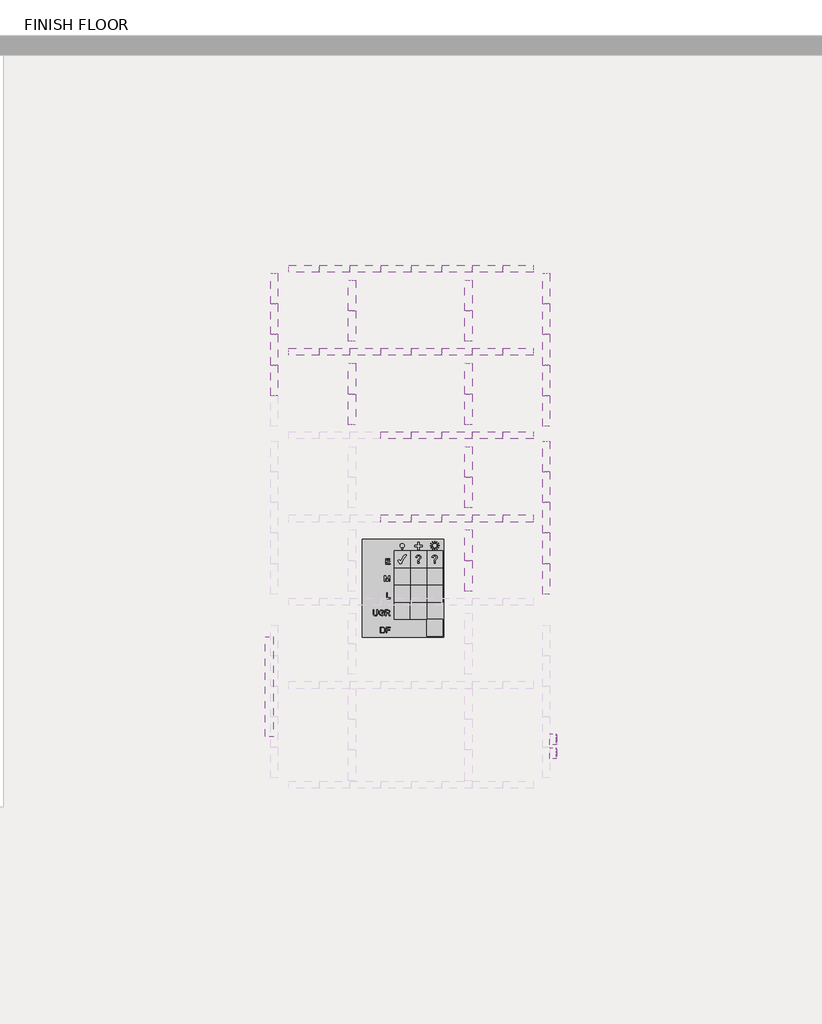
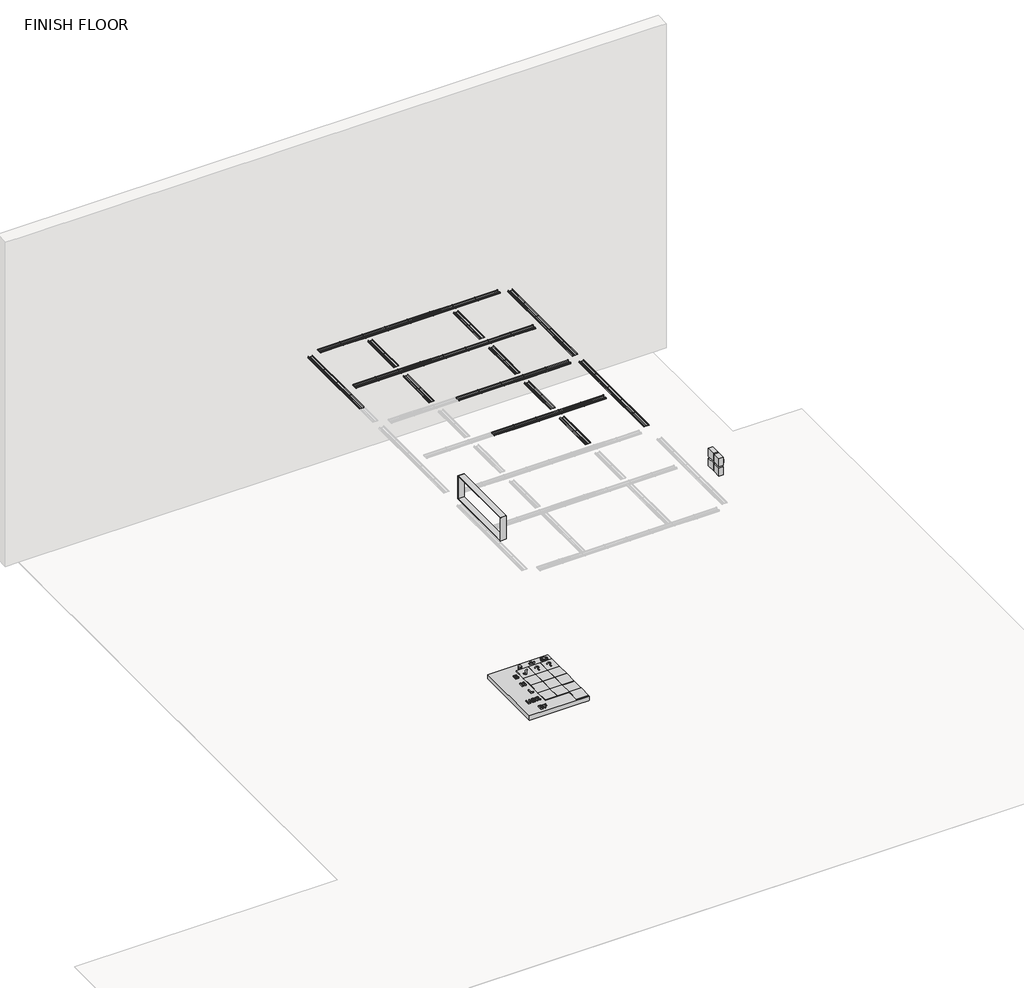
# One storey, part 2 of 2: 52 light fixtures, 18 proxies.
"""IFC4 building model written with IfcOpenShell, lengths in millimetres."""

import ifcopenshell
import ifcopenshell.guid

model = None  # the IFC model being written
_history = None  # IfcOwnerHistory: only IFC2X3 demands one
_inside = {}  # id of a spatial element -> (the spatial element, [elements in it])
_under = {}  # id of a project, library or spatial element -> (it, [spatial elements below it])
_declared = {}  # id of a project -> (the project, [libraries it declares])
_typed = {}  # id of a type object -> (the type object, [elements of that type])
_made_of = {}  # id of a material, layer set ... -> (it, [elements and type objects made of it])


def new_model(schema):
    """Start an empty IFC model of exactly this schema.

    Asked for "IFC4X3", IfcOpenShell would pick the latest addendum, in which some entities
    have other attributes; the version numbers below select the first issue.
    IFC2X3 requires an IfcOwnerHistory on every rooted entity: one is made here for all.
    """
    global model, _history
    if schema == "IFC4X3":
        model = ifcopenshell.file(schema_version=(4, 3, 0, 0))
    else:
        model = ifcopenshell.file(schema=schema)
    _inside.clear()
    _under.clear()
    _declared.clear()
    _typed.clear()
    _made_of.clear()
    _history = None
    if model.schema == "IFC2X3":
        org = make("IfcOrganization", Name="unknown")
        user = make(
            "IfcPersonAndOrganization",
            ThePerson=make("IfcPerson", FamilyName="unknown"),
            TheOrganization=org,
        )
        app = make(
            "IfcApplication",
            ApplicationDeveloper=org,
            Version="unknown",
            ApplicationFullName="unknown",
            ApplicationIdentifier="unknown",
        )
        _history = make(
            "IfcOwnerHistory",
            OwningUser=user,
            OwningApplication=app,
            ChangeAction="ADDED",
            CreationDate=0,
        )
    return model


def make(cls, **values):
    """One entity of the class cls with the attributes given. An attribute that is None is left unset."""
    return model.create_entity(
        cls, **{name: value for name, value in values.items() if value is not None}
    )


def rooted(cls, **values):
    """An entity with a GlobalId (a new one), such as an element, a storey or a relation."""
    return make(cls, GlobalId=ifcopenshell.guid.new(), OwnerHistory=_history, **values)


def si_unit(unit_type, name, prefix=None):
    """IfcSIUnit, for example si_unit("LENGTHUNIT", "METRE", prefix="MILLI")."""
    return make("IfcSIUnit", UnitType=unit_type, Prefix=prefix, Name=name)


def assignment(units):
    """IfcUnitAssignment: the units of a project."""
    return None if units is None else make("IfcUnitAssignment", Units=units)


def point(xyz):
    """IfcCartesianPoint."""
    return None if xyz is None else make("IfcCartesianPoint", Coordinates=xyz)


def direction(xyz):
    """IfcDirection."""
    return None if xyz is None else make("IfcDirection", DirectionRatios=xyz)


def frame(location, z_axis=None, x_axis=None):
    """IfcAxis2Placement3D, a coordinate frame: its origin and axes. An axis left out is left unset."""
    return make(
        "IfcAxis2Placement3D",
        Location=point(location),
        Axis=direction(z_axis),
        RefDirection=direction(x_axis),
    )


def frame_2d(location, x_axis=None):
    """IfcAxis2Placement2D, a coordinate frame in the plane: its origin and x axis."""
    return make(
        "IfcAxis2Placement2D", Location=point(location), RefDirection=direction(x_axis)
    )


def origin():
    """The frame at (0, 0, 0) with its axes left unset."""
    return frame((0.0, 0.0, 0.0))


def origin_with_axes():
    """The frame at (0, 0, 0) with the z axis (0, 0, 1) and the x axis (1, 0, 0) written out."""
    return frame((0.0, 0.0, 0.0), z_axis=(0.0, 0.0, 1.0), x_axis=(1.0, 0.0, 0.0))


def place(relative_to, where):
    """IfcLocalPlacement: puts the frame where relative to a parent placement (None: the world)."""
    return make(
        "IfcLocalPlacement", PlacementRelTo=relative_to, RelativePlacement=where
    )


def context(
    kind, dimensions, precision=None, world=None, true_north=None, identifier=None
):
    """IfcGeometricRepresentationContext, for example the 3D "Model" context."""
    return make(
        "IfcGeometricRepresentationContext",
        ContextIdentifier=identifier,
        ContextType=kind,
        CoordinateSpaceDimension=dimensions,
        Precision=precision,
        WorldCoordinateSystem=world,
        TrueNorth=true_north,
    )


def project(units=None, contexts=None):
    """IfcProject with its units and contexts."""
    return rooted(
        "IfcProject",
        Name="project",
        RepresentationContexts=contexts,
        UnitsInContext=assignment(units),
    )


def spatial(cls, under=None, at=None, **own):
    """A site, building, storey or space (cls), placed at a placement, below another one or the project."""
    s = rooted(cls, ObjectPlacement=at, **own)
    if under is not None:
        _under.setdefault(under.id(), (under, []))[1].append(s)
    return s


def polyline(points):
    """IfcPolyline through the points."""
    return make("IfcPolyline", Points=[point(p) for p in points])


def circle_curve(where, radius):
    """IfcCircle in the frame where."""
    return make("IfcCircle", Position=where, Radius=radius)


def trimmed(basis, trim1, trim2, sense, master):
    """IfcTrimmedCurve: the piece of a basis curve between two trims."""
    return make(
        "IfcTrimmedCurve",
        BasisCurve=basis,
        Trim1=trim1,
        Trim2=trim2,
        SenseAgreement=sense,
        MasterRepresentation=master,
    )


def segment(curve, same_sense, transition):
    """IfcCompositeCurveSegment."""
    return make(
        "IfcCompositeCurveSegment",
        Transition=transition,
        SameSense=same_sense,
        ParentCurve=curve,
    )


def composite_curve(segments, self_intersect=None):
    """IfcCompositeCurve: segments joined end to end."""
    return make("IfcCompositeCurve", Segments=segments, SelfIntersect=self_intersect)


def outline(outer, holes=None, kind="AREA"):
    """IfcArbitraryClosedProfileDef: a profile drawn as a closed curve; with holes, ...WithVoids."""
    if holes is None:
        return make("IfcArbitraryClosedProfileDef", ProfileType=kind, OuterCurve=outer)
    return make(
        "IfcArbitraryProfileDefWithVoids",
        ProfileType=kind,
        OuterCurve=outer,
        InnerCurves=holes,
    )


def extrude(swept, where, along, depth):
    """IfcExtrudedAreaSolid: the profile swept, set in the frame where, extruded along a direction by depth."""
    return make(
        "IfcExtrudedAreaSolid",
        SweptArea=swept,
        Position=where,
        ExtrudedDirection=direction(along),
        Depth=depth,
    )


def shape(context_of_items, identifier, shape_type, items):
    """IfcShapeRepresentation: the items that make up one representation, for example the "Body"."""
    return make(
        "IfcShapeRepresentation",
        ContextOfItems=context_of_items,
        RepresentationIdentifier=identifier,
        RepresentationType=shape_type,
        Items=items,
    )


def source(mapping_origin, context_of_items, identifier, shape_type, items):
    """IfcRepresentationMap: a shape defined once, which mapped items show again and again."""
    return make(
        "IfcRepresentationMap",
        MappingOrigin=mapping_origin,
        MappedRepresentation=shape(context_of_items, identifier, shape_type, items),
    )


def transform(
    local_origin,
    x_axis=None,
    y_axis=None,
    z_axis=None,
    scale=None,
    scale2=None,
    scale3=None,
    uniform=True,
):
    """IfcCartesianTransformationOperator3D, or its non-uniform kind. x_axis, y_axis, z_axis: its Axis1, 2, 3."""
    if uniform:
        return make(
            "IfcCartesianTransformationOperator3D",
            Axis1=direction(x_axis),
            Axis2=direction(y_axis),
            LocalOrigin=point(local_origin),
            Scale=scale,
            Axis3=direction(z_axis),
        )
    return make(
        "IfcCartesianTransformationOperator3DnonUniform",
        Axis1=direction(x_axis),
        Axis2=direction(y_axis),
        LocalOrigin=point(local_origin),
        Scale=scale,
        Axis3=direction(z_axis),
        Scale2=scale2,
        Scale3=scale3,
    )


def mapped(mapping_source, mapping_target):
    """IfcMappedItem: shows the shape of a source again, moved by a transform."""
    return make(
        "IfcMappedItem", MappingSource=mapping_source, MappingTarget=mapping_target
    )


def made_of(thing, what):
    """Note that an element or type object is made of a material, layer set ...; save() writes the relation."""
    if what is not None:
        _made_of.setdefault(what.id(), (what, []))[1].append(thing)
    return thing


def element(
    cls,
    number,
    at=None,
    inside=None,
    cuts=None,
    type_object=None,
    material=None,
    context=None,
    identifier="Body",
    shape_type=None,
    held_by="IfcProductDefinitionShape",
    body=None,
    shapes=None,
    **own,
):
    """One element of the class cls, such as IfcWall. Its Tag is "e" and its number.

    at: its placement. inside: the storey or other place that contains it. cuts: it is an
    opening in that element (IfcRelVoidsElement). A single representation is given by context,
    identifier, shape_type and body (its items); several are given by shapes. held_by: the class
    of the entity that holds the representations. save() writes the other relations.
    """
    e = rooted(cls, Tag="e%d" % number, ObjectPlacement=at, **own)
    if body is not None:
        shapes = [shape(context, identifier, shape_type, body)]
    if shapes is not None:
        e.Representation = make(held_by, Representations=shapes)
    if inside is not None:
        _inside.setdefault(inside.id(), (inside, []))[1].append(e)
    if cuts is not None:
        rooted(
            "IfcRelVoidsElement", RelatingBuildingElement=cuts, RelatedOpeningElement=e
        )
    if type_object is not None:
        _typed.setdefault(type_object.id(), (type_object, []))[1].append(e)
    return made_of(e, material)


def aggregate(whole, parts):
    """IfcRelAggregates: a whole, such as a stair, and the parts it consists of."""
    return rooted("IfcRelAggregates", RelatingObject=whole, RelatedObjects=parts)


def save(model, path):
    """Write the relations noted so far, then the file.

    IfcRelAggregates (storeys below a building ...), IfcRelContainedInSpatialStructure (elements
    in a storey), IfcRelDefinesByType, IfcRelAssociatesMaterial and IfcRelDeclares: one each for
    every whole, place, type object, material and project.
    """
    for whole, parts in _under.values():
        aggregate(whole, parts)
    for where, things in _inside.values():
        rooted(
            "IfcRelContainedInSpatialStructure",
            RelatedElements=things,
            RelatingStructure=where,
        )
    for kind, things in _typed.values():
        rooted("IfcRelDefinesByType", RelatedObjects=things, RelatingType=kind)
    for what, things in _made_of.values():
        rooted("IfcRelAssociatesMaterial", RelatedObjects=things, RelatingMaterial=what)
    for by, libraries in _declared.values():
        rooted("IfcRelDeclares", RelatingContext=by, RelatedDefinitions=libraries)
    model.write(path)


def generic_models_9315c878(model_context):
    return source(origin(), model_context, "Body", "SweptSolid", [
        extrude(outline(polyline([(454.025, -149.225), (454.025, -152.4), (-454.025, -152.4), (-454.025, -149.225), (454.025, -149.225)])), frame((0.0, 0.0, -25.4), z_axis=(0.0, 0.0, 1.0), x_axis=(1.0, 0.0, 0.0)), (0.0, 0.0, 1.0), 76.2),
        extrude(outline(polyline([(454.025, 152.4), (454.025, 149.225), (-454.025, 149.225), (-454.025, 152.4), (454.025, 152.4)])), frame((0.0, 0.0, -25.4), z_axis=(0.0, 0.0, 1.0), x_axis=(1.0, 0.0, 0.0)), (0.0, 0.0, 1.0), 76.2),
        extrude(outline(polyline([(-454.025, -152.4), (-457.2, -152.4), (-457.2, 152.4), (-454.025, 152.4), (-454.025, -152.4)])), frame((0.0, 0.0, -25.4), z_axis=(0.0, 0.0, 1.0), x_axis=(1.0, 0.0, 0.0)), (0.0, 0.0, 1.0), 76.2),
        extrude(outline(polyline([(457.2, -152.4), (454.025, -152.4), (454.025, 152.4), (457.2, 152.4), (457.2, -152.4)])), frame((0.0, 0.0, -25.4), z_axis=(0.0, 0.0, 1.0), x_axis=(1.0, 0.0, 0.0)), (0.0, 0.0, 1.0), 76.2),
    ])


def proxy_4x4x2_2_emergency_cps_aabf5358(model_context):
    return source(origin(), model_context, "Body", "SweptSolid", [
        extrude(outline(polyline([(-45.4147115, -22.225), (-45.4147115, 21.5411538), (-13.9577885, 21.5411538), (-13.9577885, 16.0703846), (-39.9439423, 16.0703846), (-39.9439423, 3.0773077), (-15.3254808, 3.0773077), (-15.3254808, -2.3934615), (-39.9439423, -2.3934615), (-39.9439423, -16.7542308), (-13.2739423, -16.7542308), (-13.2739423, -22.225), (-45.4147115, -22.225)])), frame((0.0, 0.0, 55.88), z_axis=(0.0, 0.0, 1.0), x_axis=(1.0, 0.0, 0.0)), (0.0, 0.0, 1.0), 6.35),
        extrude(outline(polyline([(-9.8547115, -22.225), (2.4545192, 21.5411538), (7.3910337, 21.5411538), (-4.9181971, -22.225), (-9.8547115, -22.225)])), frame((0.0, 0.0, 55.88), z_axis=(0.0, 0.0, 1.0), x_axis=(1.0, 0.0, 0.0)), (0.0, 0.0, 1.0), 6.35),
        extrude(outline(polyline([(42.8014423, -6.6675), (48.2722115, -8.0779327), (41.7863582, -19.1102945), (30.3319351, -22.9088462), (18.9469651, -20.0345553), (12.26878, -11.7108654), (9.9768269, -0.0106851), (12.5679627, 11.8818269), (19.9353365, 19.5911238), (30.4494712, 22.225), (41.4070373, 18.8164543), (47.5883654, 9.221238), (42.1175962, 7.9176562), (37.6298558, 14.6439243), (30.2357692, 16.7542308), (21.6770072, 14.4141947), (16.8420012, 8.1313582), (15.4475962, 0.0), (17.0984435, -9.4242548), (22.2379748, -15.4453065), (29.7869952, -17.4380769), (38.158768, -14.7240625), (42.8014423, -6.6675)])), frame((0.0, 0.0, 55.88), z_axis=(0.0, 0.0, 1.0), x_axis=(1.0, 0.0, 0.0)), (0.0, 0.0, 1.0), 6.35),
        extrude(outline(polyline([(50.8, 50.8), (50.8, -50.8), (-50.8, -50.8), (-50.8, 50.8), (50.8, 50.8)])), origin_with_axes(), (0.0, 0.0, 1.0), 55.88),
    ])


def proxy_4x4x2_2_normal_5acb1b2d(model_context):
    return source(origin(), model_context, "Body", "SweptSolid", [
        extrude(outline(polyline([(-16.6931731, -22.225), (-16.6931731, 21.5411538), (-10.8377404, 21.5411538), (12.0283654, -13.1319832), (12.0283654, 21.5411538), (17.4991346, 21.5411538), (17.4991346, -22.225), (11.6437019, -22.225), (-11.2224038, 12.4588221), (-11.2224038, -22.225), (-16.6931731, -22.225)])), frame((0.0, 0.0, 55.88), z_axis=(0.0, 0.0, 1.0), x_axis=(1.0, 0.0, 0.0)), (0.0, 0.0, 1.0), 6.35),
        extrude(outline(polyline([(50.8, 50.8), (50.8, -50.8), (-50.8, -50.8), (-50.8, 50.8), (50.8, 50.8)])), origin_with_axes(), (0.0, 0.0, 1.0), 55.88),
    ])


def elumtools_calc_points_daylight_factor_elumtools_calc_points_a0d10fb8(model_context):
    return source(origin(), model_context, "Body", "SweptSolid", [
        extrude(outline(polyline([(-74.377296, -78.4098), (-74.377296, 78.4098), (74.377296, 78.4098), (74.377296, -78.4098), (-74.377296, -78.4098)])), origin_with_axes(), (0.0, 0.0, 1.0), 147.828),
    ])


def elumtools_calc_points_illuminance_elumtools_calc_points_76b11fc3(model_context):
    return source(origin(), model_context, "Body", "SweptSolid", [
        extrude(outline(polyline([(5.5094293, -37.188648), (-5.5094293, -37.188648), (-5.5094293, -26.1697893), (5.5094293, -26.1697893), (5.5094293, -37.188648)])), origin_with_axes(), (0.0, 0.0, 1.0), 152.4),
        extrude(outline(polyline([(-24.792432, 17.5182636), (-22.2367885, 26.4441847), (-16.9802334, 33.0780972), (-9.404768, 37.1940283), (0.107606, 38.5660053), (9.9454884, 37.1482957), (17.8518423, 32.8951669), (23.0572846, 26.4952976), (24.792432, 18.6373664), (22.7156354, 10.3086588), (12.8481614, -0.0215212), (5.573993, -7.7045926), (4.132072, -17.9056453), (-5.5094293, -17.9056453), (-5.0467234, -9.4478105), (-3.1636176, -4.2289174), (0.6133544, 0.4734666), (7.231126, 5.8322475), (13.9134612, 12.5791463), (15.1509307, 17.8410817), (10.792886, 27.5148649), (0.1936909, 31.6792187), (-10.0019816, 27.891486), (-15.1509307, 16.528288), (-24.792432, 17.5182636)])), origin_with_axes(), (0.0, 0.0, 1.0), 152.4),
        extrude(outline(polyline([(-74.377296, -78.4098), (-74.377296, 78.4098), (74.377296, 78.4098), (74.377296, -78.4098), (-74.377296, -78.4098)])), origin_with_axes(), (0.0, 0.0, 1.0), 147.828),
    ])


def elumtools_calc_points_illuminance_elumtools_calc_points_8c3ad228(model_context):
    return source(origin(), model_context, "Body", "SweptSolid", [
        extrude(outline(polyline([(-14.4407308, -14.3331248), (-5.681599, 2.6040662), (5.8107263, 21.0046993), (15.1724519, 33.1749426), (20.1546116, 37.9418903), (27.374977, 40.5136747), (35.230218, 41.32072), (38.1248206, 40.233899), (39.254684, 37.3823389), (38.5982871, 35.0365272), (35.8758543, 32.0881216), (15.2477761, 6.0797414), (-1.7647391, -26.6217347), (-5.5955142, -35.1333726), (-8.210341, -37.4791843), (-15.4522276, -38.5660053), (-20.9939387, -38.0279751), (-22.8555232, -36.8873511), (-26.5786923, -31.5931338), (-35.7897695, -19.9501601), (-39.254684, -13.4937976), (-35.3055423, -6.9298291), (-28.3219102, -4.132072), (-21.230672, -6.9190685), (-14.4407308, -14.3331248)])), origin_with_axes(), (0.0, 0.0, 1.0), 152.4),
        extrude(outline(polyline([(-74.377296, -78.4098), (-74.377296, 78.4098), (74.377296, 78.4098), (74.377296, -78.4098), (-74.377296, -78.4098)])), origin_with_axes(), (0.0, 0.0, 1.0), 147.828),
    ])


def elumtools_calc_points_level_hosted_medium_68a1bb5d(model_context):
    return source(origin(), model_context, "Body", "SweptSolid", [
        extrude(outline(polyline([(-142.873857, 419.49243), (-142.873857, 405.770715), (-154.635327, 405.770715), (-154.635327, 419.49243), (-142.873857, 419.49243)])), frame((0.0, 0.0, -76.2), z_axis=(0.0, 0.0, 1.0), x_axis=(1.0, 0.0, 0.0)), (0.0, 0.0, 1.0), 152.4),
        extrude(outline(composite_curve([segment(trimmed(circle_curve(frame_2d((-148.754592, 439.09488)), 19.60245), [point((-168.357042, 439.09488))], [point((-129.152142, 439.09488))], False, "CARTESIAN"), True, "CONTINUOUS"), segment(trimmed(circle_curve(frame_2d((-148.754592, 439.09488)), 19.60245), [point((-129.152142, 439.09488))], [point((-168.357042, 439.09488))], False, "CARTESIAN"), True, "CONTINUOUS")], self_intersect=False)), frame((0.0, 0.0, -76.2), z_axis=(0.0, 0.0, 1.0), x_axis=(1.0, 0.0, 0.0)), (0.0, 0.0, 1.0), 152.4),
        extrude(outline(polyline([(169.1662008, 473.6550736), (162.1933293, 461.5777058), (160.5830136, 462.507422), (167.5558851, 474.5847898), (169.1662008, 473.6550736)])), frame((0.0, 0.0, -76.2), z_axis=(0.0, 0.0, 1.0), x_axis=(1.0, 0.0, 0.0)), (0.0, 0.0, 1.0), 152.4),
        extrude(outline(polyline([(183.7116606, 458.8190812), (171.6342928, 451.8462097), (170.7045766, 453.4565254), (182.7819444, 460.4293969), (183.7116606, 458.8190812)])), frame((0.0, 0.0, -76.2), z_axis=(0.0, 0.0, 1.0), x_axis=(1.0, 0.0, 0.0)), (0.0, 0.0, 1.0), 152.4),
        extrude(outline(polyline([(188.890402, 438.698005), (174.944659, 438.698005), (174.944659, 440.5574374), (188.890402, 440.5574374), (188.890402, 438.698005)])), frame((0.0, 0.0, -76.2), z_axis=(0.0, 0.0, 1.0), x_axis=(1.0, 0.0, 0.0)), (0.0, 0.0, 1.0), 152.4),
        extrude(outline(polyline([(183.3147856, 418.6832712), (171.2374178, 425.6561427), (172.167134, 427.2664584), (184.2445018, 420.2935869), (183.3147856, 418.6832712)])), frame((0.0, 0.0, -76.2), z_axis=(0.0, 0.0, 1.0), x_axis=(1.0, 0.0, 0.0)), (0.0, 0.0, 1.0), 152.4),
        extrude(outline(polyline([(168.4787932, 404.1378114), (161.5059217, 416.2151792), (163.1162374, 417.1448954), (170.0891089, 405.0675276), (168.4787932, 404.1378114)])), frame((0.0, 0.0, -76.2), z_axis=(0.0, 0.0, 1.0), x_axis=(1.0, 0.0, 0.0)), (0.0, 0.0, 1.0), 152.4),
        extrude(outline(polyline([(148.357717, 398.95907), (148.357717, 412.904813), (150.2171494, 412.904813), (150.2171494, 398.95907), (148.357717, 398.95907)])), frame((0.0, 0.0, -76.2), z_axis=(0.0, 0.0, 1.0), x_axis=(1.0, 0.0, 0.0)), (0.0, 0.0, 1.0), 152.4),
        extrude(outline(polyline([(128.3429832, 404.5346864), (135.3158547, 416.6120542), (136.9261704, 415.682338), (129.9532989, 403.6049702), (128.3429832, 404.5346864)])), frame((0.0, 0.0, -76.2), z_axis=(0.0, 0.0, 1.0), x_axis=(1.0, 0.0, 0.0)), (0.0, 0.0, 1.0), 152.4),
        extrude(outline(polyline([(113.7975234, 419.3706788), (125.8748912, 426.3435503), (126.8046074, 424.7332346), (114.7272396, 417.7603631), (113.7975234, 419.3706788)])), frame((0.0, 0.0, -76.2), z_axis=(0.0, 0.0, 1.0), x_axis=(1.0, 0.0, 0.0)), (0.0, 0.0, 1.0), 152.4),
        extrude(outline(polyline([(108.618782, 439.491755), (122.564525, 439.491755), (122.564525, 437.6323226), (108.618782, 437.6323226), (108.618782, 439.491755)])), frame((0.0, 0.0, -76.2), z_axis=(0.0, 0.0, 1.0), x_axis=(1.0, 0.0, 0.0)), (0.0, 0.0, 1.0), 152.4),
        extrude(outline(polyline([(114.1943984, 459.5064888), (126.2717662, 452.5336173), (125.34205, 450.9233016), (113.2646822, 457.8961731), (114.1943984, 459.5064888)])), frame((0.0, 0.0, -76.2), z_axis=(0.0, 0.0, 1.0), x_axis=(1.0, 0.0, 0.0)), (0.0, 0.0, 1.0), 152.4),
        extrude(outline(polyline([(129.0303908, 474.0519486), (136.0032623, 461.9745808), (134.3929466, 461.0448646), (127.4200751, 473.1222324), (129.0303908, 474.0519486)])), frame((0.0, 0.0, -76.2), z_axis=(0.0, 0.0, 1.0), x_axis=(1.0, 0.0, 0.0)), (0.0, 0.0, 1.0), 152.4),
        extrude(outline(polyline([(149.151467, 479.23069), (149.151467, 465.284947), (147.2920346, 465.284947), (147.2920346, 479.23069), (149.151467, 479.23069)])), frame((0.0, 0.0, -76.2), z_axis=(0.0, 0.0, 1.0), x_axis=(1.0, 0.0, 0.0)), (0.0, 0.0, 1.0), 152.4),
        extrude(outline(composite_curve([segment(trimmed(circle_curve(frame_2d((148.754592, 439.09488)), 18.594324), [point((130.160268, 439.09488))], [point((167.348916, 439.09488))], False, "CARTESIAN"), True, "CONTINUOUS"), segment(trimmed(circle_curve(frame_2d((148.754592, 439.09488)), 18.594324), [point((167.348916, 439.09488))], [point((130.160268, 439.09488))], False, "CARTESIAN"), True, "CONTINUOUS")], self_intersect=False)), frame((0.0, 0.0, -76.2), z_axis=(0.0, 0.0, 1.0), x_axis=(1.0, 0.0, 0.0)), (0.0, 0.0, 1.0), 152.4),
        extrude(outline(polyline([(-348.6768345, -359.4305232), (-348.6768345, -305.8512974), (-330.1935713, -305.8512974), (-320.6314585, -306.6230685), (-312.7567774, -310.4557621), (-306.4125576, -319.6123681), (-304.3065382, -332.3531313), (-305.7323525, -343.1644667), (-309.3949949, -350.9672031), (-314.2872387, -355.8267447), (-320.6903224, -358.5148626), (-329.3040725, -359.4305232), (-348.6768345, -359.4305232)]), holes=[polyline([(-341.9794313, -352.73312), (-330.128167, -352.73312), (-321.5078765, -351.7651359), (-316.5371476, -349.031235), (-312.4624579, -342.3796148), (-311.0039414, -332.2484843), (-313.8621106, -319.5600446), (-320.8145907, -313.6213316), (-330.3112991, -312.5487006), (-341.9794313, -312.5487006), (-341.9794313, -352.73312)])]), frame((0.0, 0.0, -76.2), z_axis=(0.0, 0.0, 1.0), x_axis=(1.0, 0.0, 0.0)), (0.0, 0.0, 1.0), 152.4),
        extrude(outline(polyline([(-295.0976087, -359.4305232), (-295.0976087, -305.8512974), (-259.0990664, -305.8512974), (-259.0990664, -312.5487006), (-288.4002055, -312.5487006), (-288.4002055, -328.4550333), (-263.2849434, -328.4550333), (-263.2849434, -335.1524365), (-288.4002055, -335.1524365), (-288.4002055, -359.4305232), (-295.0976087, -359.4305232)])), frame((0.0, 0.0, -76.2), z_axis=(0.0, 0.0, 1.0), x_axis=(1.0, 0.0, 0.0)), (0.0, 0.0, 1.0), 152.4),
        extrude(outline(polyline([(-379.6523245, -149.0316974), (-372.9549212, -149.0316974), (-372.9549212, -179.941783), (-374.7731616, -192.7544909), (-381.3266753, -200.4722017), (-393.7534977, -203.4480986), (-405.9906475, -200.8580872), (-412.7796168, -193.3562107), (-414.8136914, -179.941783), (-414.8136914, -149.0316974), (-408.1162882, -149.0316974), (-408.1162882, -179.7063274), (-406.7951207, -189.9159431), (-402.2560603, -194.9716976), (-394.3813792, -196.7506954), (-383.0402687, -193.2319425), (-379.6523245, -179.7063274), (-379.6523245, -149.0316974)])), frame((0.0, 0.0, -76.2), z_axis=(0.0, 0.0, 1.0), x_axis=(1.0, 0.0, 0.0)), (0.0, 0.0, 1.0), 152.4),
        extrude(outline(polyline([(-336.1192035, -181.6815381), (-336.1192035, -174.9841349), (-314.352643, -174.9841349), (-314.352643, -195.0109402), (-325.0985742, -201.3289984), (-336.459306, -203.4480986), (-350.7632326, -200.0797757), (-360.4692349, -190.3279903), (-363.7459918, -176.0829276), (-360.4823158, -161.5173837), (-351.0967947, -151.4778193), (-336.9956215, -148.194522), (-326.5178481, -150.097788), (-319.172942, -155.3955386), (-315.1244141, -164.257825), (-321.2985827, -165.9975802), (-324.3529648, -159.8037903), (-329.5722302, -156.232714), (-337.1002684, -154.8919252), (-345.6747759, -156.3373609), (-351.508842, -160.1308119), (-354.9556501, -165.2912134), (-357.0485886, -175.8082294), (-354.5305219, -187.482902), (-347.2052372, -194.4680843), (-336.9956215, -196.7506954), (-327.8324751, -195.0305615), (-321.0500462, -191.3613787), (-321.0500462, -181.6815381), (-336.1192035, -181.6815381)])), frame((0.0, 0.0, -76.2), z_axis=(0.0, 0.0, 1.0), x_axis=(1.0, 0.0, 0.0)), (0.0, 0.0, 1.0), 152.4),
        extrude(outline(polyline([(-303.4693628, -202.6109232), (-303.4693628, -149.0316974), (-280.3816349, -149.0316974), (-269.6618654, -150.4771331), (-263.8016376, -155.5917515), (-261.6105926, -163.6953478), (-265.2405328, -173.3490267), (-276.4573752, -178.3328365), (-272.6508432, -181.1975461), (-267.222284, -188.0911623), (-258.2880527, -202.6109232), (-266.0711678, -202.6109232), (-273.0432692, -191.5052682), (-278.0794025, -184.1538217), (-281.6177767, -180.6808519), (-284.8029675, -179.4054675), (-288.6879846, -179.1700119), (-296.7719596, -179.1700119), (-296.7719596, -202.6109232), (-303.4693628, -202.6109232)]), holes=[polyline([(-296.7719596, -172.4726087), (-281.7812875, -172.4726087), (-274.1355215, -171.5242459), (-269.7926741, -168.4894851), (-268.3079958, -163.9438843), (-271.1400033, -158.0444139), (-280.0938558, -155.7291006), (-296.7719596, -155.7291006), (-296.7719596, -172.4726087)])]), frame((0.0, 0.0, -76.2), z_axis=(0.0, 0.0, 1.0), x_axis=(1.0, 0.0, 0.0)), (0.0, 0.0, 1.0), 152.4),
        extrude(outline(polyline([(-290.9117317, -45.7913232), (-290.9117317, 7.7879026), (-284.2143285, 7.7879026), (-284.2143285, -39.09392), (-257.4247156, -39.09392), (-257.4247156, -45.7913232), (-290.9117317, -45.7913232)])), frame((0.0, 0.0, -76.2), z_axis=(0.0, 0.0, 1.0), x_axis=(1.0, 0.0, 0.0)), (0.0, 0.0, 1.0), 152.4),
        extrude(outline(polyline([(-311.0039414, 111.0282768), (-311.0039414, 164.6075026), (-299.4796987, 164.6075026), (-288.5179333, 126.8430434), (-286.307267, 118.9552814), (-283.9134686, 127.4970867), (-273.1348353, 164.6075026), (-261.6105926, 164.6075026), (-261.6105926, 111.0282768), (-268.3079958, 111.0282768), (-268.3079958, 157.9100994), (-281.7682066, 111.0282768), (-290.8463274, 111.0282768), (-304.3065382, 157.9100994), (-304.3065382, 111.0282768), (-311.0039414, 111.0282768)])), frame((0.0, 0.0, -76.2), z_axis=(0.0, 0.0, 1.0), x_axis=(1.0, 0.0, 0.0)), (0.0, 0.0, 1.0), 152.4),
        extrude(outline(polyline([(-299.2834858, 267.8478768), (-299.2834858, 321.4271026), (-260.7734172, 321.4271026), (-260.7734172, 314.7296994), (-292.5860825, 314.7296994), (-292.5860825, 298.8233667), (-262.447768, 298.8233667), (-262.447768, 292.1259635), (-292.5860825, 292.1259635), (-292.5860825, 274.54528), (-259.9362418, 274.54528), (-259.9362418, 267.8478768), (-299.2834858, 267.8478768)])), frame((0.0, 0.0, -76.2), z_axis=(0.0, 0.0, 1.0), x_axis=(1.0, 0.0, 0.0)), (0.0, 0.0, 1.0), 152.4),
        extrude(outline(polyline([(-6.4078901, 403.0504981), (-6.4078901, 430.2840311), (-33.6414231, 430.2840311), (-33.6414231, 443.0998113), (-6.4078901, 443.0998113), (-6.4078901, 470.3333443), (6.4078901, 470.3333443), (6.4078901, 443.0998113), (33.6414231, 443.0998113), (33.6414231, 430.2840311), (6.4078901, 430.2840311), (6.4078901, 403.0504981), (-6.4078901, 403.0504981)])), origin_with_axes(), (0.0, 0.0, 1.0), 76.2),
        extrude(outline(polyline([(229.481888, 497.713), (229.481888, -398.399), (-514.291072, -398.399), (-514.291072, 497.713), (229.481888, 497.713)])), frame((0.0, 0.0, -77.7875), z_axis=(0.0, 0.0, 1.0), x_axis=(1.0, 0.0, 0.0)), (0.0, 0.0, 1.0), 138.7475),
    ])


def led_1ft_ies_3e95191a(model_context):
    return source(origin(), model_context, "Body", "SweptSolid", [
        extrude(outline(composite_curve([segment(trimmed(circle_curve(frame_2d((-230.8853532, 2407.5592165)), 0.9079798), [point((-230.8853532, 2406.6512367))], [point((-230.8853532, 2408.4671963))], False, "CARTESIAN"), True, "CONTINUOUS"), segment(polyline([(-230.8853532, 2408.4671963), (-228.706314, 2408.7672338), (-225.4096689, 2408.7672338)]), True, "CONTINUOUS"), segment(trimmed(circle_curve(frame_2d((-225.4096689, 2409.6673463)), 0.9001125), [point((-225.4096689, 2408.7672338))], [point((-224.5095564, 2409.6673463))], True, "CARTESIAN"), True, "CONTINUOUS"), segment(polyline([(-224.5095564, 2409.6673463), (-224.5095564, 2414.1181525)]), True, "CONTINUOUS"), segment(trimmed(circle_curve(frame_2d((-232.0104939, 2414.1181525)), 7.5009375), [point((-224.5095564, 2414.1181525))], [point((-225.9829548, 2418.582773))], True, "CARTESIAN"), True, "CONTINUOUS"), segment(trimmed(circle_curve(frame_2d((-225.2596501, 2419.1185275)), 0.9001125), [point((-225.9829548, 2418.582773))], [point((-225.8701785, 2419.7799333))], False, "CARTESIAN"), True, "CONTINUOUS"), segment(polyline([(-225.8701785, 2419.7799333), (-223.9199347, 2421.5801583)]), True, "CONTINUOUS"), segment(trimmed(circle_curve(frame_2d((-223.3094064, 2420.9187525)), 0.9001125), [point((-223.9199347, 2421.5801583))], [point((-222.4092939, 2420.9187525))], False, "CARTESIAN"), True, "CONTINUOUS"), segment(polyline([(-222.4092939, 2420.9187525), (-222.4092939, 2409.6673463)]), True, "CONTINUOUS"), segment(trimmed(circle_curve(frame_2d((-221.5091814, 2409.6673463)), 0.9001125), [point((-222.4092939, 2409.6673463))], [point((-221.5091814, 2408.7672338))], True, "CARTESIAN"), True, "CONTINUOUS"), segment(polyline([(-221.5091814, 2408.7672338), (-200.6807845, 2408.7672338), (-199.780672, 2409.6673463), (-198.8805595, 2408.7672338), (-176.3227827, 2408.7672338)]), True, "CONTINUOUS"), segment(trimmed(circle_curve(frame_2d((-176.3227827, 2409.6673463)), 0.9001125), [point((-176.3227827, 2408.7672338))], [point((-175.4226702, 2409.6673463))], True, "CARTESIAN"), True, "CONTINUOUS"), segment(polyline([(-175.4226702, 2409.6673463), (-175.4226702, 2420.9187525)]), True, "CONTINUOUS"), segment(trimmed(circle_curve(frame_2d((-174.5225577, 2420.9187525)), 0.9001125), [point((-175.4226702, 2420.9187525))], [point((-173.9120354, 2421.5801639))], False, "CARTESIAN"), True, "CONTINUOUS"), segment(polyline([(-173.9120354, 2421.5801639), (-171.9617528, 2419.7799363)]), True, "CONTINUOUS"), segment(trimmed(circle_curve(frame_2d((-172.5722911, 2419.1185077)), 0.900136), [point((-171.9617528, 2419.7799363))], [point((-171.8489659, 2418.5827414))], False, "CARTESIAN"), True, "CONTINUOUS"), segment(trimmed(circle_curve(frame_2d((-165.82144, 2414.1181586)), 7.5009045), [point((-171.8489659, 2418.5827414))], [point((-173.3223445, 2414.1181586))], True, "CARTESIAN"), True, "CONTINUOUS"), segment(polyline([(-173.3223445, 2414.1181586), (-173.3223445, 2409.667486)]), True, "CONTINUOUS"), segment(trimmed(circle_curve(frame_2d((-172.4223673, 2409.667486)), 0.8999772), [point((-173.3223445, 2409.667486))], [point((-172.4223673, 2408.7675088))], True, "CARTESIAN"), True, "CONTINUOUS"), segment(polyline([(-172.4223673, 2408.7675088), (-169.0180106, 2408.7675088), (-167.1658278, 2408.4671963)]), True, "CONTINUOUS"), segment(trimmed(circle_curve(frame_2d((-167.1658278, 2407.5592165)), 0.9079798), [point((-167.1658278, 2408.4671963))], [point((-167.1658278, 2406.6512367))], False, "CARTESIAN"), True, "CONTINUOUS"), segment(polyline([(-167.1658278, 2406.6512367), (-230.8853532, 2406.6512367)]), True, "CONTINUOUS")], self_intersect=False)), frame((165.0541772, 0.0, 0.0), z_axis=(1.0, 0.0, 0.0), x_axis=(0.0, 1.0, 0.0)), (0.0, 0.0, 1.0), 279.7048),
    ])


model = new_model("IFC4")

# Units and contexts
model_context = context("Model", 3, world=origin())
ifc_project = project(units=[si_unit("LENGTHUNIT", "METRE", prefix="MILLI")], contexts=[model_context])

# Site, building, storey
site = spatial("IfcSite", under=ifc_project)
building = spatial("IfcBuilding", under=site)
storey = spatial("IfcBuildingStorey", under=building, Name="FINISH FLOOR", Elevation=0.0)

# Proxies
placement = place(None, origin())
generic_models_shape = generic_models_9315c878(model_context)
element("IfcBuildingElementProxy", 1, Name="Generic Models", at=placement, inside=storey, context=model_context, shape_type="MappedRepresentation", body=[
    mapped(generic_models_shape, transform((-1353.8146407, -860.1338117, 3378.2004024), x_axis=(0.0, -1.0, 0.0), y_axis=(0.0, 0.0, 1.0), z_axis=(-1.0, 0.0, 0.0))),
])
proxy_4x4x2_2_emergency_cps_shape = proxy_4x4x2_2_emergency_cps_aabf5358(model_context)
element("IfcBuildingElementProxy", 2, Name="4x4x2.2 - Emergency-CPS", ObjectType="4x4x2.2 - Emergency-CPS", at=placement, inside=storey, context=model_context, shape_type="MappedRepresentation", body=[
    mapped(proxy_4x4x2_2_emergency_cps_shape, transform((1201.4151993, -1468.1620345, 3465.4956404), x_axis=(0.0, 1.0, 0.0), y_axis=(0.0, 0.0, 1.0), z_axis=(1.0, 0.0, 0.0))),
])
element("IfcBuildingElementProxy", 3, Name="4x4x2.2 - Emergency-CPS", ObjectType="4x4x2.2 - Emergency-CPS", at=placement, inside=storey, context=model_context, shape_type="MappedRepresentation", body=[
    mapped(proxy_4x4x2_2_emergency_cps_shape, transform((1201.4151993, -1341.1620345, 3464.1503049), x_axis=(0.0, 1.0, 0.0), y_axis=(0.0, 0.0, 1.0), z_axis=(1.0, 0.0, 0.0))),
])
proxy_4x4x2_2_normal_shape = proxy_4x4x2_2_normal_5acb1b2d(model_context)
element("IfcBuildingElementProxy", 4, Name="4x4x2.2 - Normal", ObjectType="4x4x2.2 - Normal", at=placement, inside=storey, context=model_context, shape_type="MappedRepresentation", body=[
    mapped(proxy_4x4x2_2_normal_shape, transform((1201.4151993, -1467.9558117, 3340.1), x_axis=(0.0, 1.0, 0.0), y_axis=(0.0, 0.0, 1.0), z_axis=(1.0, 0.0, 0.0))),
])
element("IfcBuildingElementProxy", 5, Name="4x4x2.2 - Normal", ObjectType="4x4x2.2 - Normal", at=placement, inside=storey, context=model_context, shape_type="MappedRepresentation", body=[
    mapped(proxy_4x4x2_2_normal_shape, transform((1201.4151993, -1339.5745345, 3337.3626484), x_axis=(0.0, 1.0, 0.0), y_axis=(0.0, 0.0, 1.0), z_axis=(1.0, 0.0, 0.0))),
])
elumtools_calc_points_daylight_factor_elumtools_calc_points_shape = elumtools_calc_points_daylight_factor_elumtools_calc_points_a0d10fb8(model_context)
element("IfcBuildingElementProxy", 6, Name="ElumTools Calc Points, Daylight Factor : ElumTools Calc Points, Daylight Factor", ObjectType="ElumTools Calc Points, Daylight Factor : ElumTools Calc Points, Daylight Factor", at=placement, inside=storey, context=model_context, shape_type="MappedRepresentation", body=[
    mapped(elumtools_calc_points_daylight_factor_elumtools_calc_points_shape, transform((147.5766808, -320.0521203, -76.2), x_axis=(1.0, 0.0, 0.0), y_axis=(0.0, 1.0, 0.0), z_axis=(0.0, 0.0, 1.0))),
])
element("IfcBuildingElementProxy", 7, Name="ElumTools Calc Points, Exitance : ElumTools Calc Points, Exitance", ObjectType="ElumTools Calc Points, Exitance : ElumTools Calc Points, Exitance", at=placement, inside=storey, context=model_context, shape_type="MappedRepresentation", body=[
    mapped(elumtools_calc_points_daylight_factor_elumtools_calc_points_shape, transform((-149.9325032, 150.4066797, -76.2), x_axis=(1.0, 0.0, 0.0), y_axis=(0.0, 1.0, 0.0), z_axis=(0.0, 0.0, 1.0))),
])
element("IfcBuildingElementProxy", 8, Name="ElumTools Calc Points, Exitance : ElumTools Calc Points, Exitance", ObjectType="ElumTools Calc Points, Exitance : ElumTools Calc Points, Exitance", at=placement, inside=storey, context=model_context, shape_type="MappedRepresentation", body=[
    mapped(elumtools_calc_points_daylight_factor_elumtools_calc_points_shape, transform((-1.1779112, 150.4066797, -76.2), x_axis=(1.0, 0.0, 0.0), y_axis=(0.0, 1.0, 0.0), z_axis=(0.0, 0.0, 1.0))),
])
element("IfcBuildingElementProxy", 9, Name="ElumTools Calc Points, Exitance : ElumTools Calc Points, Exitance", ObjectType="ElumTools Calc Points, Exitance : ElumTools Calc Points, Exitance", at=placement, inside=storey, context=model_context, shape_type="MappedRepresentation", body=[
    mapped(elumtools_calc_points_daylight_factor_elumtools_calc_points_shape, transform((147.5766808, 150.4066797, -76.2), x_axis=(1.0, 0.0, 0.0), y_axis=(0.0, 1.0, 0.0), z_axis=(0.0, 0.0, 1.0))),
])
elumtools_calc_points_illuminance_elumtools_calc_points_shape = elumtools_calc_points_illuminance_elumtools_calc_points_76b11fc3(model_context)
element("IfcBuildingElementProxy", 10, Name="ElumTools Calc Points, Illuminance : ElumTools Calc Points, Illuminance", ObjectType="ElumTools Calc Points, Illuminance : ElumTools Calc Points, Illuminance", at=placement, inside=storey, context=model_context, shape_type="MappedRepresentation", body=[
    mapped(elumtools_calc_points_illuminance_elumtools_calc_points_shape, transform((-1.1779112, 307.2262797, -76.2), x_axis=(1.0, 0.0, 0.0), y_axis=(0.0, 1.0, 0.0), z_axis=(0.0, 0.0, 1.0))),
])
element("IfcBuildingElementProxy", 11, Name="ElumTools Calc Points, Illuminance : ElumTools Calc Points, Illuminance", ObjectType="ElumTools Calc Points, Illuminance : ElumTools Calc Points, Illuminance", at=placement, inside=storey, context=model_context, shape_type="MappedRepresentation", body=[
    mapped(elumtools_calc_points_illuminance_elumtools_calc_points_shape, transform((147.5766808, 307.2262797, -76.2), x_axis=(1.0, 0.0, 0.0), y_axis=(0.0, 1.0, 0.0), z_axis=(0.0, 0.0, 1.0))),
])
elumtools_calc_points_illuminance_elumtools_calc_points_2_shape = elumtools_calc_points_illuminance_elumtools_calc_points_8c3ad228(model_context)
element("IfcBuildingElementProxy", 12, Name="ElumTools Calc Points, Illuminance : ElumTools Calc Points, Illuminance", ObjectType="ElumTools Calc Points, Illuminance : ElumTools Calc Points, Illuminance", at=placement, inside=storey, context=model_context, shape_type="MappedRepresentation", body=[
    mapped(elumtools_calc_points_illuminance_elumtools_calc_points_2_shape, transform((-149.9325032, 307.2262797, -76.2), x_axis=(1.0, 0.0, 0.0), y_axis=(0.0, 1.0, 0.0), z_axis=(0.0, 0.0, 1.0))),
])
elumtools_calc_points_level_hosted_medium_shape = elumtools_calc_points_level_hosted_medium_68a1bb5d(model_context)
element("IfcBuildingElementProxy", 13, Name="ElumTools Calc Points, Level Hosted : Medium", ObjectType="ElumTools Calc Points, Level Hosted : Medium", at=placement, inside=storey, context=model_context, shape_type="MappedRepresentation", body=[
    mapped(elumtools_calc_points_level_hosted_medium_shape, transform((-1.1779112, -6.4129203, 0.0), x_axis=(1.0, 0.0, 0.0), y_axis=(0.0, 1.0, 0.0), z_axis=(0.0, 0.0, 1.0))),
])
element("IfcBuildingElementProxy", 14, Name="ElumTools Calc Points, Luminance : ElumTools Calc Points, Luminance", ObjectType="ElumTools Calc Points, Luminance : ElumTools Calc Points, Luminance", at=placement, inside=storey, context=model_context, shape_type="MappedRepresentation", body=[
    mapped(elumtools_calc_points_daylight_factor_elumtools_calc_points_shape, transform((-149.9325032, -6.4129203, -76.2), x_axis=(1.0, 0.0, 0.0), y_axis=(0.0, 1.0, 0.0), z_axis=(0.0, 0.0, 1.0))),
])
element("IfcBuildingElementProxy", 15, Name="ElumTools Calc Points, Luminance : ElumTools Calc Points, Luminance", ObjectType="ElumTools Calc Points, Luminance : ElumTools Calc Points, Luminance", at=placement, inside=storey, context=model_context, shape_type="MappedRepresentation", body=[
    mapped(elumtools_calc_points_daylight_factor_elumtools_calc_points_shape, transform((-1.1779112, -6.4129203, -76.2), x_axis=(1.0, 0.0, 0.0), y_axis=(0.0, 1.0, 0.0), z_axis=(0.0, 0.0, 1.0))),
])
element("IfcBuildingElementProxy", 16, Name="ElumTools Calc Points, Luminance : ElumTools Calc Points, Luminance", ObjectType="ElumTools Calc Points, Luminance : ElumTools Calc Points, Luminance", at=placement, inside=storey, context=model_context, shape_type="MappedRepresentation", body=[
    mapped(elumtools_calc_points_daylight_factor_elumtools_calc_points_shape, transform((147.5766808, -6.4129203, -76.2), x_axis=(1.0, 0.0, 0.0), y_axis=(0.0, 1.0, 0.0), z_axis=(0.0, 0.0, 1.0))),
])
element("IfcBuildingElementProxy", 17, Name="ElumTools Calc Points, Unified Glare Rating : ElumTools Calc Points, Unified Glare Rating", ObjectType="ElumTools Calc Points, Unified Glare Rating : ElumTools Calc Points, Unified Glare Rating", at=placement, inside=storey, context=model_context, shape_type="MappedRepresentation", body=[
    mapped(elumtools_calc_points_daylight_factor_elumtools_calc_points_shape, transform((-1.1779112, -163.2325203, -76.2), x_axis=(1.0, 0.0, 0.0), y_axis=(0.0, 1.0, 0.0), z_axis=(0.0, 0.0, 1.0))),
])
element("IfcBuildingElementProxy", 18, Name="ElumTools Calc Points, Unified Glare Rating : ElumTools Calc Points, Unified Glare Rating", ObjectType="ElumTools Calc Points, Unified Glare Rating : ElumTools Calc Points, Unified Glare Rating", at=placement, inside=storey, context=model_context, shape_type="MappedRepresentation", body=[
    mapped(elumtools_calc_points_daylight_factor_elumtools_calc_points_shape, transform((-149.9325032, -163.2325203, -76.2), x_axis=(1.0, 0.0, 0.0), y_axis=(0.0, 1.0, 0.0), z_axis=(0.0, 0.0, 1.0))),
])

# Light fixtures
led_1ft_ies_shape = led_1ft_ies_3e95191a(model_context)
element("IfcLightFixture", 19, ObjectType="LED_1FT_IES", at=placement, inside=storey, context=model_context, shape_type="MappedRepresentation", body=[
    mapped(led_1ft_ies_shape, transform((1367.1736123, 2809.6682455, 639.2324911), x_axis=(0.0, -1.0000000000000002, 0.0), y_axis=(1.0000000000000002, 0.0, 0.0), z_axis=(0.0, 0.0, 1.0))),
])
element("IfcLightFixture", 20, ObjectType="LED_1FT_IES", at=placement, inside=storey, context=model_context, shape_type="MappedRepresentation", body=[
    mapped(led_1ft_ies_shape, transform((1367.1736123, 2529.9634455, 639.2324911), x_axis=(0.0, -1.0000000000000002, 0.0), y_axis=(1.0000000000000002, 0.0, 0.0), z_axis=(0.0, 0.0, 1.0))),
])
element("IfcLightFixture", 21, ObjectType="LED_1FT_IES", at=placement, inside=storey, context=model_context, shape_type="MappedRepresentation", body=[
    mapped(led_1ft_ies_shape, transform((1367.1736123, 2250.2586455, 639.2324911), x_axis=(0.0, -1.0000000000000002, 0.0), y_axis=(1.0000000000000002, 0.0, 0.0), z_axis=(0.0, 0.0, 1.0))),
])
element("IfcLightFixture", 22, ObjectType="LED_1FT_IES", at=placement, inside=storey, context=model_context, shape_type="MappedRepresentation", body=[
    mapped(led_1ft_ies_shape, transform((1367.1736123, 1970.5538455, 639.2324911), x_axis=(0.0, -1.0000000000000002, 0.0), y_axis=(1.0000000000000002, 0.0, 0.0), z_axis=(0.0, 0.0, 1.0))),
])
element("IfcLightFixture", 23, ObjectType="LED_1FT_IES", at=placement, inside=storey, context=model_context, shape_type="MappedRepresentation", body=[
    mapped(led_1ft_ies_shape, transform((1367.1736123, 1272.9682455, 639.2324911), x_axis=(0.0, -1.0000000000000002, 0.0), y_axis=(1.0000000000000002, 0.0, 0.0), z_axis=(0.0, 0.0, 1.0))),
])
element("IfcLightFixture", 24, ObjectType="LED_1FT_IES", at=placement, inside=storey, context=model_context, shape_type="MappedRepresentation", body=[
    mapped(led_1ft_ies_shape, transform((1367.1736123, 993.2634455, 639.2324911), x_axis=(0.0, -1.0000000000000002, 0.0), y_axis=(1.0000000000000002, 0.0, 0.0), z_axis=(0.0, 0.0, 1.0))),
])
element("IfcLightFixture", 25, ObjectType="LED_1FT_IES", at=placement, inside=storey, context=model_context, shape_type="MappedRepresentation", body=[
    mapped(led_1ft_ies_shape, transform((1367.1736123, 713.5586455, 639.2324911), x_axis=(0.0, -1.0000000000000002, 0.0), y_axis=(1.0000000000000002, 0.0, 0.0), z_axis=(0.0, 0.0, 1.0))),
])
element("IfcLightFixture", 26, ObjectType="LED_1FT_IES", at=placement, inside=storey, context=model_context, shape_type="MappedRepresentation", body=[
    mapped(led_1ft_ies_shape, transform((1367.1736123, 433.8538455, 639.2324911), x_axis=(0.0, -1.0000000000000002, 0.0), y_axis=(1.0000000000000002, 0.0, 0.0), z_axis=(0.0, 0.0, 1.0))),
])
element("IfcLightFixture", 27, ObjectType="LED_1FT_IES", at=placement, inside=storey, context=model_context, shape_type="MappedRepresentation", body=[
    mapped(led_1ft_ies_shape, transform((1367.1736123, 1552.6730455, 639.2324911), x_axis=(0.0, -1.0000000000000002, 0.0), y_axis=(1.0000000000000002, 0.0, 0.0), z_axis=(0.0, 0.0, 1.0))),
])
element("IfcLightFixture", 28, ObjectType="LED_1FT_IES", at=placement, inside=storey, context=model_context, shape_type="MappedRepresentation", body=[
    mapped(led_1ft_ies_shape, transform((1367.1736123, 3089.0682455, 639.2324911), x_axis=(0.0, -1.0000000000000002, 0.0), y_axis=(1.0000000000000002, 0.0, 0.0), z_axis=(0.0, 0.0, 1.0))),
])
element("IfcLightFixture", 29, ObjectType="LED_1FT_IES", at=placement, inside=storey, context=model_context, shape_type="MappedRepresentation", body=[
    mapped(led_1ft_ies_shape, transform((-1121.5218727, 2809.6682455, 639.2324911), x_axis=(0.0, -1.0000000000000002, 0.0), y_axis=(1.0000000000000002, 0.0, 0.0), z_axis=(0.0, 0.0, 1.0))),
])
element("IfcLightFixture", 30, ObjectType="LED_1FT_IES", at=placement, inside=storey, context=model_context, shape_type="MappedRepresentation", body=[
    mapped(led_1ft_ies_shape, transform((-1121.5218727, 2529.9634455, 639.2324911), x_axis=(0.0, -1.0000000000000002, 0.0), y_axis=(1.0000000000000002, 0.0, 0.0), z_axis=(0.0, 0.0, 1.0))),
])
element("IfcLightFixture", 31, ObjectType="LED_1FT_IES", at=placement, inside=storey, context=model_context, shape_type="MappedRepresentation", body=[
    mapped(led_1ft_ies_shape, transform((-1121.5218727, 2250.2586455, 639.2324911), x_axis=(0.0, -1.0000000000000002, 0.0), y_axis=(1.0000000000000002, 0.0, 0.0), z_axis=(0.0, 0.0, 1.0))),
])
element("IfcLightFixture", 32, ObjectType="LED_1FT_IES", at=placement, inside=storey, context=model_context, shape_type="MappedRepresentation", body=[
    mapped(led_1ft_ies_shape, transform((-1121.5218727, 3089.0682455, 639.2324911), x_axis=(0.0, -1.0000000000000002, 0.0), y_axis=(1.0000000000000002, 0.0, 0.0), z_axis=(0.0, 0.0, 1.0))),
])
element("IfcLightFixture", 33, ObjectType="LED_1FT_IES", at=placement, inside=storey, context=model_context, shape_type="MappedRepresentation", body=[
    mapped(led_1ft_ies_shape, transform((96.646553, 482.2413403, 639.2324911), x_axis=(-1.0, 0.0, 0.0), y_axis=(0.0, -1.0, 0.0), z_axis=(0.0, 0.0, 1.0))),
])
element("IfcLightFixture", 34, ObjectType="LED_1FT_IES", at=placement, inside=storey, context=model_context, shape_type="MappedRepresentation", body=[
    mapped(led_1ft_ies_shape, transform((376.351353, 482.2413403, 639.2324911), x_axis=(-1.0, 0.0, 0.0), y_axis=(0.0, -1.0, 0.0), z_axis=(0.0, 0.0, 1.0))),
])
element("IfcLightFixture", 35, ObjectType="LED_1FT_IES", at=placement, inside=storey, context=model_context, shape_type="MappedRepresentation", body=[
    mapped(led_1ft_ies_shape, transform((656.056153, 482.2413403, 639.2324911), x_axis=(-1.0, 0.0, 0.0), y_axis=(0.0, -1.0, 0.0), z_axis=(0.0, 0.0, 1.0))),
])
element("IfcLightFixture", 36, ObjectType="LED_1FT_IES", at=placement, inside=storey, context=model_context, shape_type="MappedRepresentation", body=[
    mapped(led_1ft_ies_shape, transform((935.760953, 482.2413403, 639.2324911), x_axis=(-1.0, 0.0, 0.0), y_axis=(0.0, -1.0, 0.0), z_axis=(0.0, 0.0, 1.0))),
])
element("IfcLightFixture", 37, ObjectType="LED_1FT_IES", at=placement, inside=storey, context=model_context, shape_type="MappedRepresentation", body=[
    mapped(led_1ft_ies_shape, transform((1215.465753, 482.2413403, 639.2324911), x_axis=(-1.0, 0.0, 0.0), y_axis=(0.0, -1.0, 0.0), z_axis=(0.0, 0.0, 1.0))),
])
element("IfcLightFixture", 38, ObjectType="LED_1FT_IES", at=placement, inside=storey, context=model_context, shape_type="MappedRepresentation", body=[
    mapped(led_1ft_ies_shape, transform((96.646553, 1244.2413403, 639.2324911), x_axis=(-1.0, 0.0, 0.0), y_axis=(0.0, -1.0, 0.0), z_axis=(0.0, 0.0, 1.0))),
])
element("IfcLightFixture", 39, ObjectType="LED_1FT_IES", at=placement, inside=storey, context=model_context, shape_type="MappedRepresentation", body=[
    mapped(led_1ft_ies_shape, transform((376.351353, 1244.2413403, 639.2324911), x_axis=(-1.0, 0.0, 0.0), y_axis=(0.0, -1.0, 0.0), z_axis=(0.0, 0.0, 1.0))),
])
element("IfcLightFixture", 40, ObjectType="LED_1FT_IES", at=placement, inside=storey, context=model_context, shape_type="MappedRepresentation", body=[
    mapped(led_1ft_ies_shape, transform((656.056153, 1244.2413403, 639.2324911), x_axis=(-1.0, 0.0, 0.0), y_axis=(0.0, -1.0, 0.0), z_axis=(0.0, 0.0, 1.0))),
])
element("IfcLightFixture", 41, ObjectType="LED_1FT_IES", at=placement, inside=storey, context=model_context, shape_type="MappedRepresentation", body=[
    mapped(led_1ft_ies_shape, transform((935.760953, 1244.2413403, 639.2324911), x_axis=(-1.0, 0.0, 0.0), y_axis=(0.0, -1.0, 0.0), z_axis=(0.0, 0.0, 1.0))),
])
element("IfcLightFixture", 42, ObjectType="LED_1FT_IES", at=placement, inside=storey, context=model_context, shape_type="MappedRepresentation", body=[
    mapped(led_1ft_ies_shape, transform((1215.465753, 1244.2413403, 639.2324911), x_axis=(-1.0, 0.0, 0.0), y_axis=(0.0, -1.0, 0.0), z_axis=(0.0, 0.0, 1.0))),
])
element("IfcLightFixture", 43, ObjectType="LED_1FT_IES", at=placement, inside=storey, context=model_context, shape_type="MappedRepresentation", body=[
    mapped(led_1ft_ies_shape, transform((-462.763047, 2006.2413403, 639.2324911), x_axis=(-1.0, 0.0, 0.0), y_axis=(0.0, -1.0, 0.0), z_axis=(0.0, 0.0, 1.0))),
])
element("IfcLightFixture", 44, ObjectType="LED_1FT_IES", at=placement, inside=storey, context=model_context, shape_type="MappedRepresentation", body=[
    mapped(led_1ft_ies_shape, transform((-183.058247, 2006.2413403, 639.2324911), x_axis=(-1.0, 0.0, 0.0), y_axis=(0.0, -1.0, 0.0), z_axis=(0.0, 0.0, 1.0))),
])
element("IfcLightFixture", 45, ObjectType="LED_1FT_IES", at=placement, inside=storey, context=model_context, shape_type="MappedRepresentation", body=[
    mapped(led_1ft_ies_shape, transform((96.646553, 2006.2413403, 639.2324911), x_axis=(-1.0, 0.0, 0.0), y_axis=(0.0, -1.0, 0.0), z_axis=(0.0, 0.0, 1.0))),
])
element("IfcLightFixture", 46, ObjectType="LED_1FT_IES", at=placement, inside=storey, context=model_context, shape_type="MappedRepresentation", body=[
    mapped(led_1ft_ies_shape, transform((376.351353, 2006.2413403, 639.2324911), x_axis=(-1.0, 0.0, 0.0), y_axis=(0.0, -1.0, 0.0), z_axis=(0.0, 0.0, 1.0))),
])
element("IfcLightFixture", 47, ObjectType="LED_1FT_IES", at=placement, inside=storey, context=model_context, shape_type="MappedRepresentation", body=[
    mapped(led_1ft_ies_shape, transform((656.056153, 2006.2413403, 639.2324911), x_axis=(-1.0, 0.0, 0.0), y_axis=(0.0, -1.0, 0.0), z_axis=(0.0, 0.0, 1.0))),
])
element("IfcLightFixture", 48, ObjectType="LED_1FT_IES", at=placement, inside=storey, context=model_context, shape_type="MappedRepresentation", body=[
    mapped(led_1ft_ies_shape, transform((935.760953, 2006.2413403, 639.2324911), x_axis=(-1.0, 0.0, 0.0), y_axis=(0.0, -1.0, 0.0), z_axis=(0.0, 0.0, 1.0))),
])
element("IfcLightFixture", 49, ObjectType="LED_1FT_IES", at=placement, inside=storey, context=model_context, shape_type="MappedRepresentation", body=[
    mapped(led_1ft_ies_shape, transform((1215.465753, 2006.2413403, 639.2324911), x_axis=(-1.0, 0.0, 0.0), y_axis=(0.0, -1.0, 0.0), z_axis=(0.0, 0.0, 1.0))),
])
element("IfcLightFixture", 50, ObjectType="LED_1FT_IES", at=placement, inside=storey, context=model_context, shape_type="MappedRepresentation", body=[
    mapped(led_1ft_ies_shape, transform((-742.467847, 2006.2413403, 639.2324911), x_axis=(-1.0, 0.0, 0.0), y_axis=(0.0, -1.0, 0.0), z_axis=(0.0, 0.0, 1.0))),
])
element("IfcLightFixture", 51, ObjectType="LED_1FT_IES", at=placement, inside=storey, context=model_context, shape_type="MappedRepresentation", body=[
    mapped(led_1ft_ies_shape, transform((-462.763047, 2768.2413403, 639.2324911), x_axis=(-1.0, 0.0, 0.0), y_axis=(0.0, -1.0, 0.0), z_axis=(0.0, 0.0, 1.0))),
])
element("IfcLightFixture", 52, ObjectType="LED_1FT_IES", at=placement, inside=storey, context=model_context, shape_type="MappedRepresentation", body=[
    mapped(led_1ft_ies_shape, transform((-183.058247, 2768.2413403, 639.2324911), x_axis=(-1.0, 0.0, 0.0), y_axis=(0.0, -1.0, 0.0), z_axis=(0.0, 0.0, 1.0))),
])
element("IfcLightFixture", 53, ObjectType="LED_1FT_IES", at=placement, inside=storey, context=model_context, shape_type="MappedRepresentation", body=[
    mapped(led_1ft_ies_shape, transform((96.646553, 2768.2413403, 639.2324911), x_axis=(-1.0, 0.0, 0.0), y_axis=(0.0, -1.0, 0.0), z_axis=(0.0, 0.0, 1.0))),
])
element("IfcLightFixture", 54, ObjectType="LED_1FT_IES", at=placement, inside=storey, context=model_context, shape_type="MappedRepresentation", body=[
    mapped(led_1ft_ies_shape, transform((376.351353, 2768.2413403, 639.2324911), x_axis=(-1.0, 0.0, 0.0), y_axis=(0.0, -1.0, 0.0), z_axis=(0.0, 0.0, 1.0))),
])
element("IfcLightFixture", 55, ObjectType="LED_1FT_IES", at=placement, inside=storey, context=model_context, shape_type="MappedRepresentation", body=[
    mapped(led_1ft_ies_shape, transform((656.056153, 2768.2413403, 639.2324911), x_axis=(-1.0, 0.0, 0.0), y_axis=(0.0, -1.0, 0.0), z_axis=(0.0, 0.0, 1.0))),
])
element("IfcLightFixture", 56, ObjectType="LED_1FT_IES", at=placement, inside=storey, context=model_context, shape_type="MappedRepresentation", body=[
    mapped(led_1ft_ies_shape, transform((935.760953, 2768.2413403, 639.2324911), x_axis=(-1.0, 0.0, 0.0), y_axis=(0.0, -1.0, 0.0), z_axis=(0.0, 0.0, 1.0))),
])
element("IfcLightFixture", 57, ObjectType="LED_1FT_IES", at=placement, inside=storey, context=model_context, shape_type="MappedRepresentation", body=[
    mapped(led_1ft_ies_shape, transform((1215.465753, 2768.2413403, 639.2324911), x_axis=(-1.0, 0.0, 0.0), y_axis=(0.0, -1.0, 0.0), z_axis=(0.0, 0.0, 1.0))),
])
element("IfcLightFixture", 58, ObjectType="LED_1FT_IES", at=placement, inside=storey, context=model_context, shape_type="MappedRepresentation", body=[
    mapped(led_1ft_ies_shape, transform((-742.467847, 2768.2413403, 639.2324911), x_axis=(-1.0, 0.0, 0.0), y_axis=(0.0, -1.0, 0.0), z_axis=(0.0, 0.0, 1.0))),
])
element("IfcLightFixture", 59, ObjectType="LED_1FT_IES", at=placement, inside=storey, context=model_context, shape_type="MappedRepresentation", body=[
    mapped(led_1ft_ies_shape, transform((656.4781273, 740.6307509, 639.2324911), x_axis=(0.0, -1.0000000000000002, 0.0), y_axis=(1.0000000000000002, 0.0, 0.0), z_axis=(0.0, 0.0, 1.0))),
])
element("IfcLightFixture", 60, ObjectType="LED_1FT_IES", at=placement, inside=storey, context=model_context, shape_type="MappedRepresentation", body=[
    mapped(led_1ft_ies_shape, transform((656.4781273, 460.9259509, 639.2324911), x_axis=(0.0, -1.0000000000000002, 0.0), y_axis=(1.0000000000000002, 0.0, 0.0), z_axis=(0.0, 0.0, 1.0))),
])
element("IfcLightFixture", 61, ObjectType="LED_1FT_IES", at=placement, inside=storey, context=model_context, shape_type="MappedRepresentation", body=[
    mapped(led_1ft_ies_shape, transform((656.4781273, 1502.6307509, 639.2324911), x_axis=(0.0, -1.0000000000000002, 0.0), y_axis=(1.0000000000000002, 0.0, 0.0), z_axis=(0.0, 0.0, 1.0))),
])
element("IfcLightFixture", 62, ObjectType="LED_1FT_IES", at=placement, inside=storey, context=model_context, shape_type="MappedRepresentation", body=[
    mapped(led_1ft_ies_shape, transform((656.4781273, 1222.9259509, 639.2324911), x_axis=(0.0, -1.0000000000000002, 0.0), y_axis=(1.0000000000000002, 0.0, 0.0), z_axis=(0.0, 0.0, 1.0))),
])
element("IfcLightFixture", 63, ObjectType="LED_1FT_IES", at=placement, inside=storey, context=model_context, shape_type="MappedRepresentation", body=[
    mapped(led_1ft_ies_shape, transform((656.4781273, 2264.6307509, 639.2324911), x_axis=(0.0, -1.0000000000000002, 0.0), y_axis=(1.0000000000000002, 0.0, 0.0), z_axis=(0.0, 0.0, 1.0))),
])
element("IfcLightFixture", 64, ObjectType="LED_1FT_IES", at=placement, inside=storey, context=model_context, shape_type="MappedRepresentation", body=[
    mapped(led_1ft_ies_shape, transform((656.4781273, 1984.9259509, 639.2324911), x_axis=(0.0, -1.0000000000000002, 0.0), y_axis=(1.0000000000000002, 0.0, 0.0), z_axis=(0.0, 0.0, 1.0))),
])
element("IfcLightFixture", 65, ObjectType="LED_1FT_IES", at=placement, inside=storey, context=model_context, shape_type="MappedRepresentation", body=[
    mapped(led_1ft_ies_shape, transform((-410.3218727, 2264.6307509, 639.2324911), x_axis=(0.0, -1.0000000000000002, 0.0), y_axis=(1.0000000000000002, 0.0, 0.0), z_axis=(0.0, 0.0, 1.0))),
])
element("IfcLightFixture", 66, ObjectType="LED_1FT_IES", at=placement, inside=storey, context=model_context, shape_type="MappedRepresentation", body=[
    mapped(led_1ft_ies_shape, transform((-410.3218727, 1984.9259509, 639.2324911), x_axis=(0.0, -1.0000000000000002, 0.0), y_axis=(1.0000000000000002, 0.0, 0.0), z_axis=(0.0, 0.0, 1.0))),
])
element("IfcLightFixture", 67, ObjectType="LED_1FT_IES", at=placement, inside=storey, context=model_context, shape_type="MappedRepresentation", body=[
    mapped(led_1ft_ies_shape, transform((656.4781273, 3026.6307509, 639.2324911), x_axis=(0.0, -1.0000000000000002, 0.0), y_axis=(1.0000000000000002, 0.0, 0.0), z_axis=(0.0, 0.0, 1.0))),
])
element("IfcLightFixture", 68, ObjectType="LED_1FT_IES", at=placement, inside=storey, context=model_context, shape_type="MappedRepresentation", body=[
    mapped(led_1ft_ies_shape, transform((656.4781273, 2746.9259509, 639.2324911), x_axis=(0.0, -1.0000000000000002, 0.0), y_axis=(1.0000000000000002, 0.0, 0.0), z_axis=(0.0, 0.0, 1.0))),
])
element("IfcLightFixture", 69, ObjectType="LED_1FT_IES", at=placement, inside=storey, context=model_context, shape_type="MappedRepresentation", body=[
    mapped(led_1ft_ies_shape, transform((-410.3218727, 3026.6307509, 639.2324911), x_axis=(0.0, -1.0000000000000002, 0.0), y_axis=(1.0000000000000002, 0.0, 0.0), z_axis=(0.0, 0.0, 1.0))),
])
element("IfcLightFixture", 70, ObjectType="LED_1FT_IES", at=placement, inside=storey, context=model_context, shape_type="MappedRepresentation", body=[
    mapped(led_1ft_ies_shape, transform((-410.3218727, 2746.9259509, 639.2324911), x_axis=(0.0, -1.0000000000000002, 0.0), y_axis=(1.0000000000000002, 0.0, 0.0), z_axis=(0.0, 0.0, 1.0))),
])

save(model, "model.ifc")
